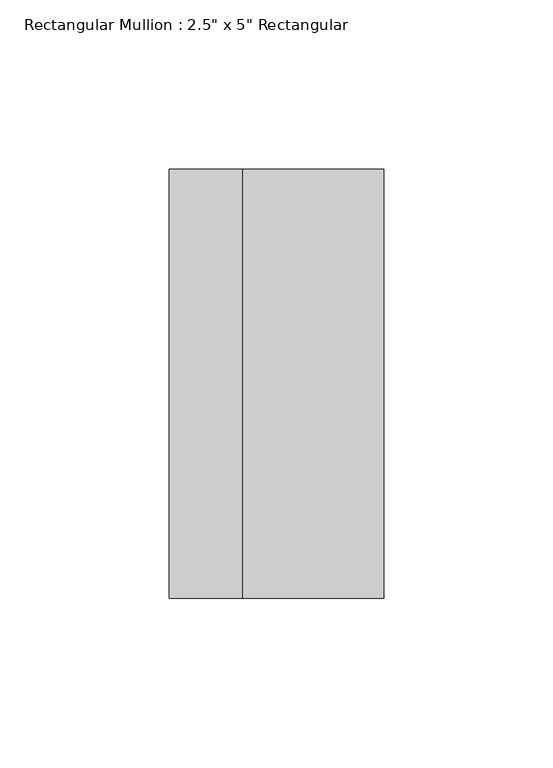
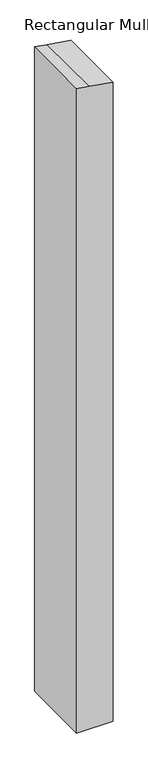
"""IFC4 building model written with IfcOpenShell, lengths in millimetres: member geometry."""

from ifc_helpers import new_model, si_unit, point, frame, frame_2d, origin, place, context, project, spatial, polyline, circle_curve, trimmed, segment, composite_curve, outline, extrude, source, transform, mapped, element, save


def member_2ac85e8b(model_context):
    return source(origin(), model_context, "Body", "SweptSolid", [
        extrude(outline(composite_curve([segment(trimmed(circle_curve(frame_2d((-4516.3457086, -711.2)), 4508.5), [point((-69.4819208, 31.75))], [point((-62.7270358, -9.877702))], False, "CARTESIAN"), True, "CONTINUOUS"), segment(trimmed(circle_curve(frame_2d((-4516.3457086, -711.2)), 4508.5), [point((-62.7270358, -9.877702))], [point((-59.3377495, -31.75))], False, "CARTESIAN"), True, "CONTINUOUS"), segment(polyline([(-59.3377495, -31.75), (-1246.0957086, -31.75), (-1246.0957086, 31.75), (-69.4819208, 31.75)]), True, "CONTINUOUS")], self_intersect=False)), frame((0.0, -63.5, 0.0), z_axis=(0.0, 1.0, 0.0), x_axis=(0.0, 0.0, 1.0)), (0.0, 0.0, 1.0), 127.0),
    ])


if __name__ == "__main__":
    model = new_model("IFC4")
    model_context = context("Model", 3, world=origin())
    ifc_project = project(units=[si_unit("LENGTHUNIT", "METRE", prefix="MILLI")], contexts=[model_context])
    site = spatial("IfcSite", under=ifc_project)
    building = spatial("IfcBuilding", under=site)
    placement = place(None, origin())
    member_shape = member_2ac85e8b(model_context)
    element("IfcMember", 1, ObjectType="Rectangular Mullion : 2.5\" x 5\" Rectangular", at=placement, inside=building, context=model_context, shape_type="MappedRepresentation", body=[
        mapped(member_shape, transform((0.0, 0.0, 0.0), x_axis=(1.0, 0.0, 0.0), y_axis=(0.0, 1.0, 0.0), z_axis=(0.0, 0.0, 1.0))),
    ])
    save(model, "model.ifc")
